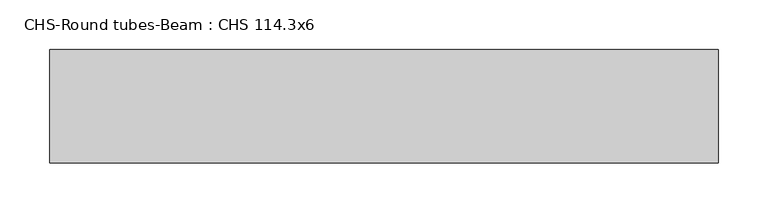
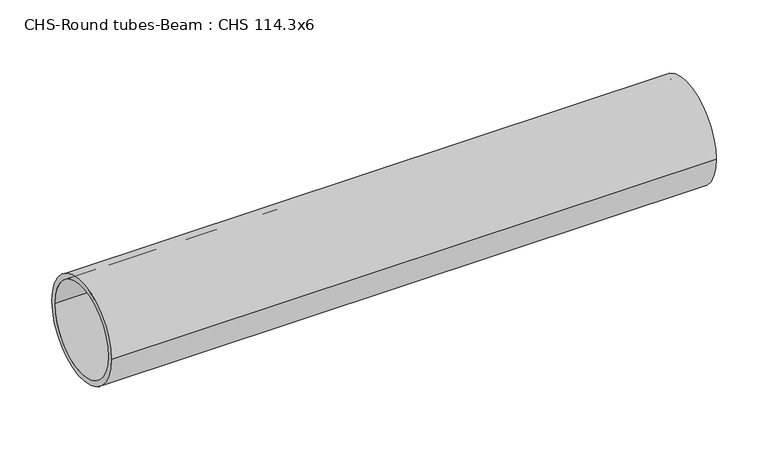
"""IFC4 building model written with IfcOpenShell, lengths in millimetres: beam geometry, CHS-Round tubes-Beam : CHS 114.3x6."""

from ifc_helpers import new_model, si_unit, point, frame, origin, origin_2d, place, context, project, spatial, circle_curve, trimmed, segment, composite_curve, outline, extrude, source, transform, mapped, element, save


def chs_round_tubes_beam_chs_114_3x6_cbaf012f(model_context):
    return source(origin(), model_context, "Body", "SweptSolid", [
        extrude(outline(composite_curve([segment(trimmed(circle_curve(origin_2d(), 57.15), [point((57.15, 0.0))], [point((-57.15, 0.0))], False, "CARTESIAN"), True, "CONTINUOUS"), segment(trimmed(circle_curve(origin_2d(), 57.15), [point((-57.15, 0.0))], [point((57.15, 0.0))], False, "CARTESIAN"), True, "CONTINUOUS")], self_intersect=False), holes=[composite_curve([segment(trimmed(circle_curve(origin_2d(), 51.15), [point((51.15, 0.0))], [point((-51.15, 0.0))], True, "CARTESIAN"), True, "CONTINUOUS"), segment(trimmed(circle_curve(origin_2d(), 51.15), [point((-51.15, 0.0))], [point((51.15, 0.0))], True, "CARTESIAN"), True, "CONTINUOUS")], self_intersect=False)]), frame((-296.028281, 0.0, 0.0), z_axis=(1.0, 0.0, 0.0), x_axis=(0.0, 1.0, 0.0)), (0.0, 0.0, 1.0), 672.5502666),
    ])


if __name__ == "__main__":
    model = new_model("IFC4")
    model_context = context("Model", 3, world=origin())
    ifc_project = project(units=[si_unit("LENGTHUNIT", "METRE", prefix="MILLI")], contexts=[model_context])
    site = spatial("IfcSite", under=ifc_project)
    building = spatial("IfcBuilding", under=site)
    placement = place(None, origin())
    chs_round_tubes_beam_chs_114_3x6_shape = chs_round_tubes_beam_chs_114_3x6_cbaf012f(model_context)
    element("IfcBeam", 1, ObjectType="CHS-Round tubes-Beam : CHS 114.3x6", at=placement, inside=building, context=model_context, shape_type="MappedRepresentation", body=[
        mapped(chs_round_tubes_beam_chs_114_3x6_shape, transform((0.0, 0.0, 0.0), x_axis=(1.0, 0.0, 0.0), y_axis=(0.0, 1.0, 0.0), z_axis=(0.0, 0.0, 1.0))),
    ])
    save(model, "model.ifc")
